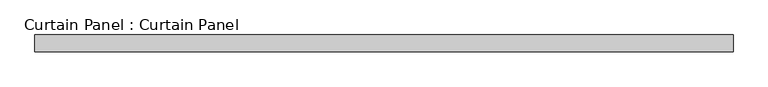
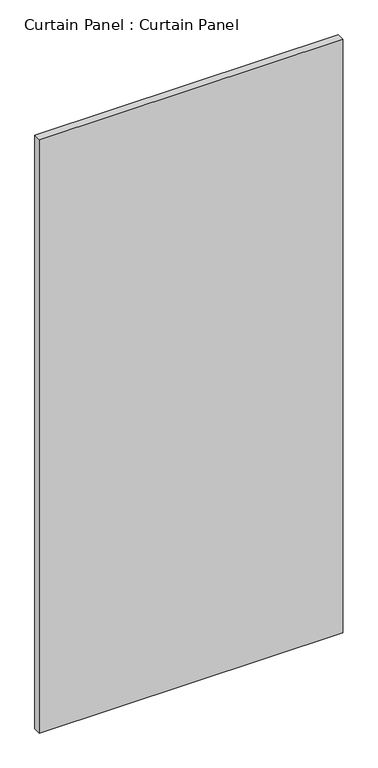
"""IFC4 building model written with IfcOpenShell, lengths in millimetres: plate geometry, Curtain Panel : Curtain Panel."""

from ifc_helpers import new_model, si_unit, frame, origin, place, context, project, spatial, polyline, outline, extrude, source, transform, mapped, element, save


def curtain_panel_curtain_panel_0617ced2(model_context):
    return source(origin(), model_context, "Body", "SweptSolid", [
        extrude(outline(polyline([(-254615.7913252, -483.9410073), (-255664.0899652, -483.9410073), (-255664.0899652, -458.5410073), (-254615.7913252, -458.5410073), (-254615.7913252, -483.9410073)])), frame((0.0, 0.0, -3530.3459841), z_axis=(0.0, 0.0, 1.0), x_axis=(1.0, 0.0, 0.0)), (0.0, 0.0, 1.0), 2166.9248398),
    ])


if __name__ == "__main__":
    model = new_model("IFC4")
    model_context = context("Model", 3, world=origin())
    ifc_project = project(units=[si_unit("LENGTHUNIT", "METRE", prefix="MILLI")], contexts=[model_context])
    site = spatial("IfcSite", under=ifc_project)
    building = spatial("IfcBuilding", under=site)
    placement = place(None, origin())
    curtain_panel_curtain_panel_shape = curtain_panel_curtain_panel_0617ced2(model_context)
    element("IfcPlate", 1, ObjectType="Curtain Panel : Curtain Panel", at=placement, inside=building, context=model_context, shape_type="MappedRepresentation", body=[
        mapped(curtain_panel_curtain_panel_shape, transform((0.0, 0.0, 0.0), x_axis=(1.0, 0.0, 0.0), y_axis=(0.0, 1.0, 0.0), z_axis=(0.0, 0.0, 1.0))),
    ])
    save(model, "model.ifc")
